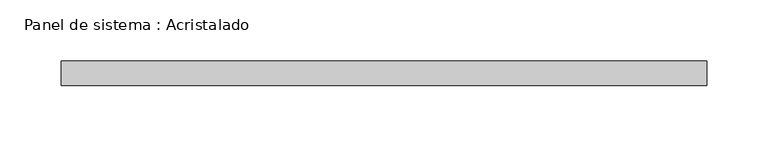
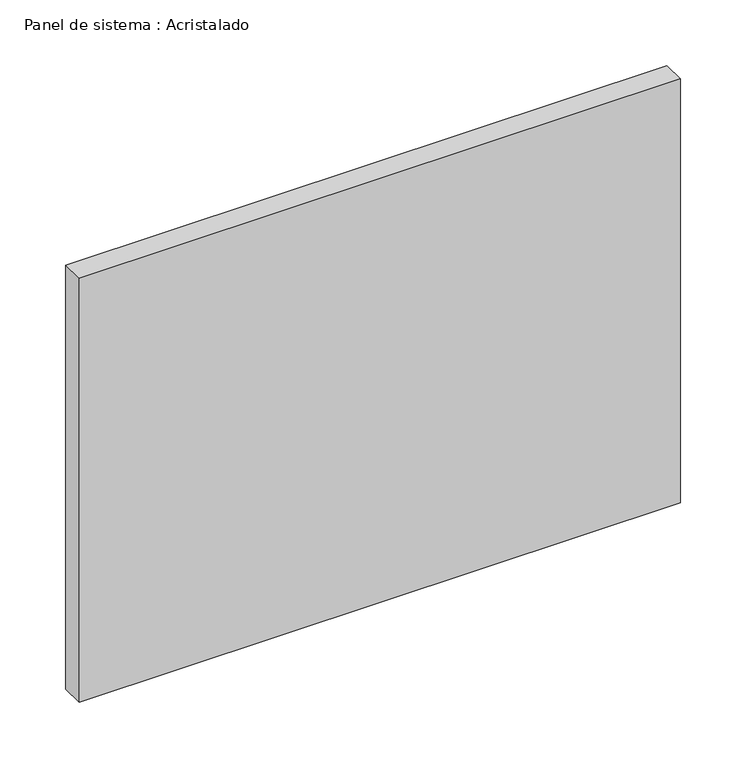
"""IFC4 building model written with IfcOpenShell, lengths in millimetres: plate geometry, Panel de sistema : Acristalado."""

from ifc_helpers import new_model, si_unit, origin, origin_with_axes, place, context, project, spatial, polyline, outline, extrude, source, transform, mapped, element, save


def panel_de_sistema_acristalado_f91563b1(model_context):
    return source(origin(), model_context, "Body", "SweptSolid", [
        extrude(outline(polyline([(263.5, -10.0), (-263.5, -10.0), (-263.5, 10.0), (263.5, 10.0), (263.5, -10.0)])), origin_with_axes(), (0.0, 0.0, 1.0), 392.7452144),
    ])


if __name__ == "__main__":
    model = new_model("IFC4")
    model_context = context("Model", 3, world=origin())
    ifc_project = project(units=[si_unit("LENGTHUNIT", "METRE", prefix="MILLI")], contexts=[model_context])
    site = spatial("IfcSite", under=ifc_project)
    building = spatial("IfcBuilding", under=site)
    placement = place(None, origin())
    panel_de_sistema_acristalado_shape = panel_de_sistema_acristalado_f91563b1(model_context)
    element("IfcPlate", 1, ObjectType="Panel de sistema : Acristalado", at=placement, inside=building, context=model_context, shape_type="MappedRepresentation", body=[
        mapped(panel_de_sistema_acristalado_shape, transform((0.0, 0.0, 0.0), x_axis=(1.0, 0.0, 0.0), y_axis=(0.0, 1.0, 0.0), z_axis=(0.0, 0.0, 1.0))),
    ])
    save(model, "model.ifc")
